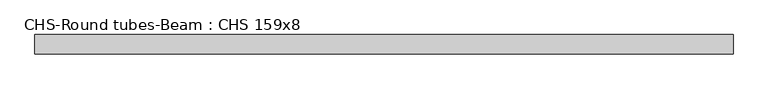
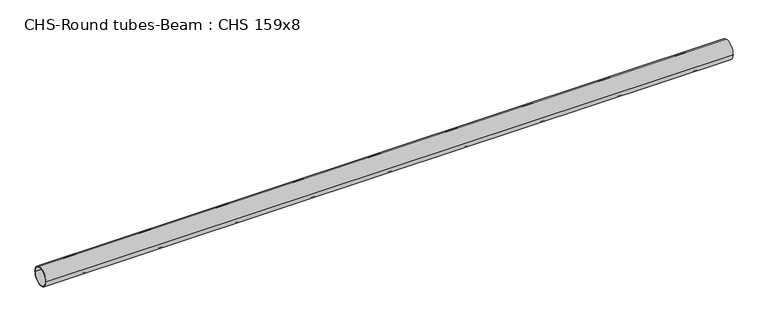
"""IFC4 building model written with IfcOpenShell, lengths in millimetres: beam geometry, CHS-Round tubes-Beam : CHS 159x8."""

from ifc_helpers import new_model, si_unit, point, frame, origin, origin_2d, place, context, project, spatial, circle_curve, trimmed, segment, composite_curve, outline, extrude, source, transform, mapped, element, save


def chs_round_tubes_beam_chs_159x8_3aeaae4d(model_context):
    return source(origin(), model_context, "Body", "SweptSolid", [
        extrude(outline(composite_curve([segment(trimmed(circle_curve(origin_2d(), 79.5), [point((79.5, 0.0))], [point((-79.5, 0.0))], False, "CARTESIAN"), True, "CONTINUOUS"), segment(trimmed(circle_curve(origin_2d(), 79.5), [point((-79.5, 0.0))], [point((79.5, 0.0))], False, "CARTESIAN"), True, "CONTINUOUS")], self_intersect=False), holes=[composite_curve([segment(trimmed(circle_curve(origin_2d(), 71.5), [point((71.5, 0.0))], [point((-71.5, 0.0))], True, "CARTESIAN"), True, "CONTINUOUS"), segment(trimmed(circle_curve(origin_2d(), 71.5), [point((-71.5, 0.0))], [point((71.5, 0.0))], True, "CARTESIAN"), True, "CONTINUOUS")], self_intersect=False)]), frame((-2802.5635982, 0.0, 0.0), z_axis=(1.0, 0.0, 0.0), x_axis=(0.0, 1.0, 0.0)), (0.0, 0.0, 1.0), 5754.9961491),
    ])


if __name__ == "__main__":
    model = new_model("IFC4")
    model_context = context("Model", 3, world=origin())
    ifc_project = project(units=[si_unit("LENGTHUNIT", "METRE", prefix="MILLI")], contexts=[model_context])
    site = spatial("IfcSite", under=ifc_project)
    building = spatial("IfcBuilding", under=site)
    placement = place(None, origin())
    chs_round_tubes_beam_chs_159x8_shape = chs_round_tubes_beam_chs_159x8_3aeaae4d(model_context)
    element("IfcBeam", 1, ObjectType="CHS-Round tubes-Beam : CHS 159x8", at=placement, inside=building, context=model_context, shape_type="MappedRepresentation", body=[
        mapped(chs_round_tubes_beam_chs_159x8_shape, transform((0.0, 0.0, 0.0), x_axis=(1.0, 0.0, 0.0), y_axis=(0.0, 1.0, 0.0), z_axis=(0.0, 0.0, 1.0))),
    ])
    save(model, "model.ifc")
